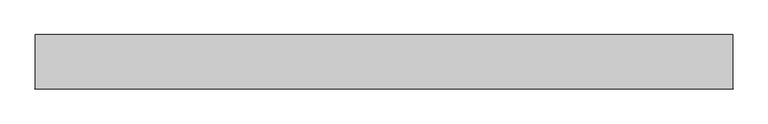
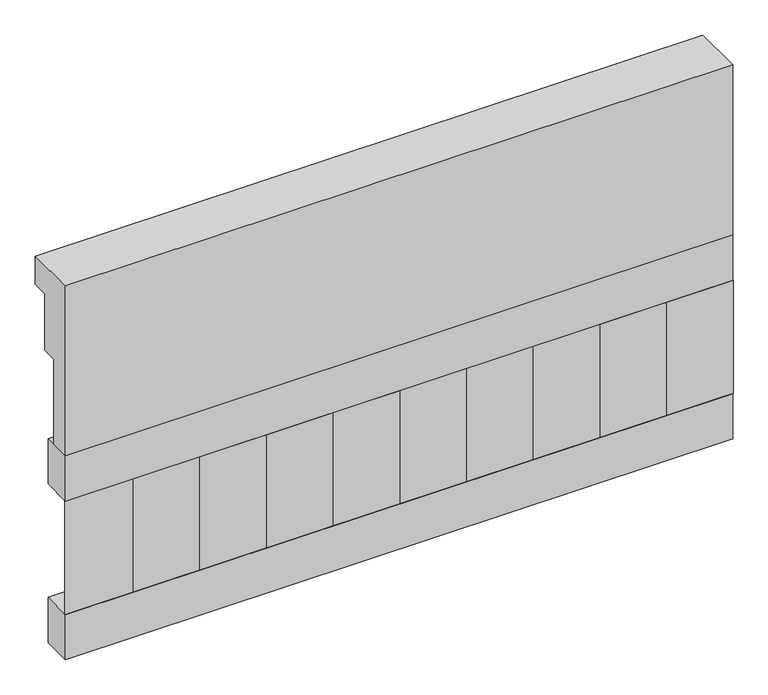
"""IFC4 building model written with IfcOpenShell, lengths in millimetres: railing geometry."""

import ifcopenshell
import ifcopenshell.guid

model = None  # the IFC model being written
_history = None  # IfcOwnerHistory: only IFC2X3 demands one
_inside = {}  # id of a spatial element -> (the spatial element, [elements in it])
_under = {}  # id of a project, library or spatial element -> (it, [spatial elements below it])
_declared = {}  # id of a project -> (the project, [libraries it declares])
_typed = {}  # id of a type object -> (the type object, [elements of that type])
_made_of = {}  # id of a material, layer set ... -> (it, [elements and type objects made of it])


def new_model(schema):
    """Start an empty IFC model of exactly this schema.

    Asked for "IFC4X3", IfcOpenShell would pick the latest addendum, in which some entities
    have other attributes; the version numbers below select the first issue.
    IFC2X3 requires an IfcOwnerHistory on every rooted entity: one is made here for all.
    """
    global model, _history
    if schema == "IFC4X3":
        model = ifcopenshell.file(schema_version=(4, 3, 0, 0))
    else:
        model = ifcopenshell.file(schema=schema)
    _inside.clear()
    _under.clear()
    _declared.clear()
    _typed.clear()
    _made_of.clear()
    _history = None
    if model.schema == "IFC2X3":
        org = make("IfcOrganization", Name="unknown")
        user = make(
            "IfcPersonAndOrganization",
            ThePerson=make("IfcPerson", FamilyName="unknown"),
            TheOrganization=org,
        )
        app = make(
            "IfcApplication",
            ApplicationDeveloper=org,
            Version="unknown",
            ApplicationFullName="unknown",
            ApplicationIdentifier="unknown",
        )
        _history = make(
            "IfcOwnerHistory",
            OwningUser=user,
            OwningApplication=app,
            ChangeAction="ADDED",
            CreationDate=0,
        )
    return model


def make(cls, **values):
    """One entity of the class cls with the attributes given. An attribute that is None is left unset."""
    return model.create_entity(
        cls, **{name: value for name, value in values.items() if value is not None}
    )


def rooted(cls, **values):
    """An entity with a GlobalId (a new one), such as an element, a storey or a relation."""
    return make(cls, GlobalId=ifcopenshell.guid.new(), OwnerHistory=_history, **values)


def si_unit(unit_type, name, prefix=None):
    """IfcSIUnit, for example si_unit("LENGTHUNIT", "METRE", prefix="MILLI")."""
    return make("IfcSIUnit", UnitType=unit_type, Prefix=prefix, Name=name)


def assignment(units):
    """IfcUnitAssignment: the units of a project."""
    return None if units is None else make("IfcUnitAssignment", Units=units)


def point(xyz):
    """IfcCartesianPoint."""
    return None if xyz is None else make("IfcCartesianPoint", Coordinates=xyz)


def direction(xyz):
    """IfcDirection."""
    return None if xyz is None else make("IfcDirection", DirectionRatios=xyz)


def frame(location, z_axis=None, x_axis=None):
    """IfcAxis2Placement3D, a coordinate frame: its origin and axes. An axis left out is left unset."""
    return make(
        "IfcAxis2Placement3D",
        Location=point(location),
        Axis=direction(z_axis),
        RefDirection=direction(x_axis),
    )


def origin():
    """The frame at (0, 0, 0) with its axes left unset."""
    return frame((0.0, 0.0, 0.0))


def place(relative_to, where):
    """IfcLocalPlacement: puts the frame where relative to a parent placement (None: the world)."""
    return make(
        "IfcLocalPlacement", PlacementRelTo=relative_to, RelativePlacement=where
    )


def context(
    kind, dimensions, precision=None, world=None, true_north=None, identifier=None
):
    """IfcGeometricRepresentationContext, for example the 3D "Model" context."""
    return make(
        "IfcGeometricRepresentationContext",
        ContextIdentifier=identifier,
        ContextType=kind,
        CoordinateSpaceDimension=dimensions,
        Precision=precision,
        WorldCoordinateSystem=world,
        TrueNorth=true_north,
    )


def project(units=None, contexts=None):
    """IfcProject with its units and contexts."""
    return rooted(
        "IfcProject",
        Name="project",
        RepresentationContexts=contexts,
        UnitsInContext=assignment(units),
    )


def spatial(cls, under=None, at=None, **own):
    """A site, building, storey or space (cls), placed at a placement, below another one or the project."""
    s = rooted(cls, ObjectPlacement=at, **own)
    if under is not None:
        _under.setdefault(under.id(), (under, []))[1].append(s)
    return s


def polyline(points):
    """IfcPolyline through the points."""
    return make("IfcPolyline", Points=[point(p) for p in points])


def outline(outer, holes=None, kind="AREA"):
    """IfcArbitraryClosedProfileDef: a profile drawn as a closed curve; with holes, ...WithVoids."""
    if holes is None:
        return make("IfcArbitraryClosedProfileDef", ProfileType=kind, OuterCurve=outer)
    return make(
        "IfcArbitraryProfileDefWithVoids",
        ProfileType=kind,
        OuterCurve=outer,
        InnerCurves=holes,
    )


def extrude(swept, where, along, depth):
    """IfcExtrudedAreaSolid: the profile swept, set in the frame where, extruded along a direction by depth."""
    return make(
        "IfcExtrudedAreaSolid",
        SweptArea=swept,
        Position=where,
        ExtrudedDirection=direction(along),
        Depth=depth,
    )


def shape(context_of_items, identifier, shape_type, items):
    """IfcShapeRepresentation: the items that make up one representation, for example the "Body"."""
    return make(
        "IfcShapeRepresentation",
        ContextOfItems=context_of_items,
        RepresentationIdentifier=identifier,
        RepresentationType=shape_type,
        Items=items,
    )


def source(mapping_origin, context_of_items, identifier, shape_type, items):
    """IfcRepresentationMap: a shape defined once, which mapped items show again and again."""
    return make(
        "IfcRepresentationMap",
        MappingOrigin=mapping_origin,
        MappedRepresentation=shape(context_of_items, identifier, shape_type, items),
    )


def transform(
    local_origin,
    x_axis=None,
    y_axis=None,
    z_axis=None,
    scale=None,
    scale2=None,
    scale3=None,
    uniform=True,
):
    """IfcCartesianTransformationOperator3D, or its non-uniform kind. x_axis, y_axis, z_axis: its Axis1, 2, 3."""
    if uniform:
        return make(
            "IfcCartesianTransformationOperator3D",
            Axis1=direction(x_axis),
            Axis2=direction(y_axis),
            LocalOrigin=point(local_origin),
            Scale=scale,
            Axis3=direction(z_axis),
        )
    return make(
        "IfcCartesianTransformationOperator3DnonUniform",
        Axis1=direction(x_axis),
        Axis2=direction(y_axis),
        LocalOrigin=point(local_origin),
        Scale=scale,
        Axis3=direction(z_axis),
        Scale2=scale2,
        Scale3=scale3,
    )


def mapped(mapping_source, mapping_target):
    """IfcMappedItem: shows the shape of a source again, moved by a transform."""
    return make(
        "IfcMappedItem", MappingSource=mapping_source, MappingTarget=mapping_target
    )


def made_of(thing, what):
    """Note that an element or type object is made of a material, layer set ...; save() writes the relation."""
    if what is not None:
        _made_of.setdefault(what.id(), (what, []))[1].append(thing)
    return thing


def element(
    cls,
    number,
    at=None,
    inside=None,
    cuts=None,
    type_object=None,
    material=None,
    context=None,
    identifier="Body",
    shape_type=None,
    held_by="IfcProductDefinitionShape",
    body=None,
    shapes=None,
    **own,
):
    """One element of the class cls, such as IfcWall. Its Tag is "e" and its number.

    at: its placement. inside: the storey or other place that contains it. cuts: it is an
    opening in that element (IfcRelVoidsElement). A single representation is given by context,
    identifier, shape_type and body (its items); several are given by shapes. held_by: the class
    of the entity that holds the representations. save() writes the other relations.
    """
    e = rooted(cls, Tag="e%d" % number, ObjectPlacement=at, **own)
    if body is not None:
        shapes = [shape(context, identifier, shape_type, body)]
    if shapes is not None:
        e.Representation = make(held_by, Representations=shapes)
    if inside is not None:
        _inside.setdefault(inside.id(), (inside, []))[1].append(e)
    if cuts is not None:
        rooted(
            "IfcRelVoidsElement", RelatingBuildingElement=cuts, RelatedOpeningElement=e
        )
    if type_object is not None:
        _typed.setdefault(type_object.id(), (type_object, []))[1].append(e)
    return made_of(e, material)


def aggregate(whole, parts):
    """IfcRelAggregates: a whole, such as a stair, and the parts it consists of."""
    return rooted("IfcRelAggregates", RelatingObject=whole, RelatedObjects=parts)


def save(model, path):
    """Write the relations noted so far, then the file.

    IfcRelAggregates (storeys below a building ...), IfcRelContainedInSpatialStructure (elements
    in a storey), IfcRelDefinesByType, IfcRelAssociatesMaterial and IfcRelDeclares: one each for
    every whole, place, type object, material and project.
    """
    for whole, parts in _under.values():
        aggregate(whole, parts)
    for where, things in _inside.values():
        rooted(
            "IfcRelContainedInSpatialStructure",
            RelatedElements=things,
            RelatingStructure=where,
        )
    for kind, things in _typed.values():
        rooted("IfcRelDefinesByType", RelatedObjects=things, RelatingType=kind)
    for what, things in _made_of.values():
        rooted("IfcRelAssociatesMaterial", RelatedObjects=things, RelatingMaterial=what)
    for by, libraries in _declared.values():
        rooted("IfcRelDeclares", RelatingContext=by, RelatedDefinitions=libraries)
    model.write(path)


def railing_81d55e64(model_context):
    return source(origin(), model_context, "Body", "SweptSolid", [
        extrude(outline(polyline([(903.1079487, 21800.0), (1033.1079487, 21800.0), (1033.1079487, 21725.0), (993.1079487, 21725.0), (993.1079487, 21575.0), (953.1079487, 21575.0), (953.1079487, 21350.0), (903.1079487, 21350.0), (903.1079487, 21800.0)])), frame((-36509.9887159, 0.0, 0.0), z_axis=(1.0, 0.0, 0.0), x_axis=(0.0, 1.0, 0.0)), (0.0, 0.0, 1.0), 1670.0),
        extrude(outline(polyline([(-34839.9887159, 978.1079487), (-34839.9887159, 903.1079487), (-36509.9887159, 903.1079487), (-36509.9887159, 978.1079487), (-34839.9887159, 978.1079487)])), frame((0.0, 0.0, 21230.0), z_axis=(0.0, 0.0, 1.0), x_axis=(1.0, 0.0, 0.0)), (0.0, 0.0, 1.0), 120.0),
        extrude(outline(polyline([(-34839.9887159, 978.1079487), (-34839.9887159, 903.1079487), (-36509.9887159, 903.1079487), (-36509.9887159, 978.1079487), (-34839.9887159, 978.1079487)])), frame((0.0, 0.0, 20810.0), z_axis=(0.0, 0.0, 1.0), x_axis=(1.0, 0.0, 0.0)), (0.0, 0.0, 1.0), 120.0),
        extrude(outline(polyline([(-36426.4887159, 987.9607624), (-36341.6359022, 903.1079487), (-36511.3415296, 903.1079487), (-36426.4887159, 987.9607624)])), frame((0.0, 0.0, 20930.0), z_axis=(0.0, 0.0, 1.0), x_axis=(1.0, 0.0, 0.0)), (0.0, 0.0, 1.0), 300.0),
        extrude(outline(polyline([(-36259.4887159, 987.9607624), (-36174.6359022, 903.1079487), (-36344.3415296, 903.1079487), (-36259.4887159, 987.9607624)])), frame((0.0, 0.0, 20930.0), z_axis=(0.0, 0.0, 1.0), x_axis=(1.0, 0.0, 0.0)), (0.0, 0.0, 1.0), 300.0),
        extrude(outline(polyline([(-36092.4887159, 987.9607624), (-36007.6359022, 903.1079487), (-36177.3415296, 903.1079487), (-36092.4887159, 987.9607624)])), frame((0.0, 0.0, 20930.0), z_axis=(0.0, 0.0, 1.0), x_axis=(1.0, 0.0, 0.0)), (0.0, 0.0, 1.0), 300.0),
        extrude(outline(polyline([(-35925.4887159, 987.9607624), (-35840.6359022, 903.1079487), (-36010.3415296, 903.1079487), (-35925.4887159, 987.9607624)])), frame((0.0, 0.0, 20930.0), z_axis=(0.0, 0.0, 1.0), x_axis=(1.0, 0.0, 0.0)), (0.0, 0.0, 1.0), 300.0),
        extrude(outline(polyline([(-35758.4887159, 987.9607624), (-35673.6359022, 903.1079487), (-35843.3415296, 903.1079487), (-35758.4887159, 987.9607624)])), frame((0.0, 0.0, 20930.0), z_axis=(0.0, 0.0, 1.0), x_axis=(1.0, 0.0, 0.0)), (0.0, 0.0, 1.0), 300.0),
        extrude(outline(polyline([(-35591.4887159, 987.9607624), (-35506.6359022, 903.1079487), (-35676.3415296, 903.1079487), (-35591.4887159, 987.9607624)])), frame((0.0, 0.0, 20930.0), z_axis=(0.0, 0.0, 1.0), x_axis=(1.0, 0.0, 0.0)), (0.0, 0.0, 1.0), 300.0),
        extrude(outline(polyline([(-35424.4887159, 987.9607624), (-35339.6359022, 903.1079487), (-35509.3415296, 903.1079487), (-35424.4887159, 987.9607624)])), frame((0.0, 0.0, 20930.0), z_axis=(0.0, 0.0, 1.0), x_axis=(1.0, 0.0, 0.0)), (0.0, 0.0, 1.0), 300.0),
        extrude(outline(polyline([(-35257.4887159, 987.9607624), (-35172.6359022, 903.1079487), (-35342.3415296, 903.1079487), (-35257.4887159, 987.9607624)])), frame((0.0, 0.0, 20930.0), z_axis=(0.0, 0.0, 1.0), x_axis=(1.0, 0.0, 0.0)), (0.0, 0.0, 1.0), 300.0),
        extrude(outline(polyline([(-35090.4887159, 987.9607624), (-35005.6359022, 903.1079487), (-35175.3415296, 903.1079487), (-35090.4887159, 987.9607624)])), frame((0.0, 0.0, 20930.0), z_axis=(0.0, 0.0, 1.0), x_axis=(1.0, 0.0, 0.0)), (0.0, 0.0, 1.0), 300.0),
        extrude(outline(polyline([(-34923.4887159, 987.9607624), (-34838.6359022, 903.1079487), (-35008.3415296, 903.1079487), (-34923.4887159, 987.9607624)])), frame((0.0, 0.0, 20930.0), z_axis=(0.0, 0.0, 1.0), x_axis=(1.0, 0.0, 0.0)), (0.0, 0.0, 1.0), 300.0),
    ])


if __name__ == "__main__":
    model = new_model("IFC4")
    model_context = context("Model", 3, world=origin())
    ifc_project = project(units=[si_unit("LENGTHUNIT", "METRE", prefix="MILLI")], contexts=[model_context])
    site = spatial("IfcSite", under=ifc_project)
    building = spatial("IfcBuilding", under=site)
    placement = place(None, origin())
    railing_shape = railing_81d55e64(model_context)
    element("IfcRailing", 1, at=placement, inside=building, context=model_context, shape_type="MappedRepresentation", body=[
        mapped(railing_shape, transform((0.0, 0.0, 0.0), x_axis=(1.0, 0.0, 0.0), y_axis=(0.0, 1.0, 0.0), z_axis=(0.0, 0.0, 1.0))),
    ])
    save(model, "model.ifc")
